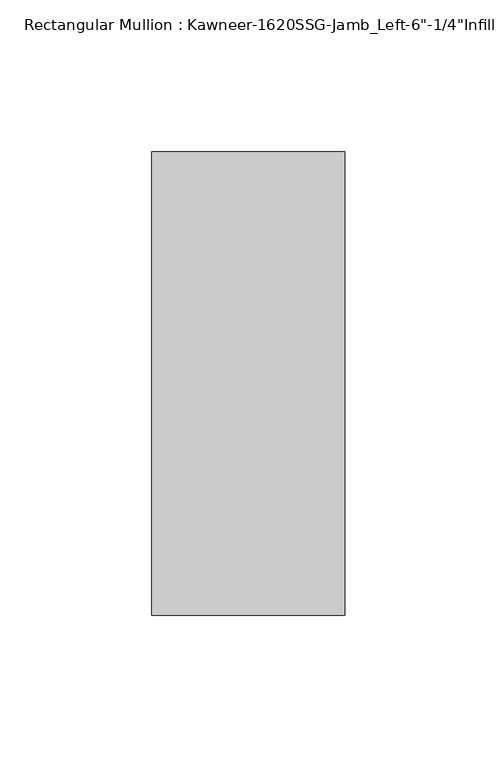
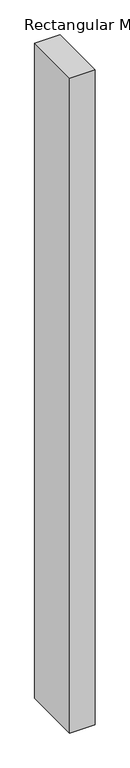
"""IFC4 building model written with IfcOpenShell, lengths in millimetres: member geometry."""

from ifc_helpers import new_model, si_unit, frame, origin, place, context, project, spatial, polyline, outline, extrude, source, transform, mapped, element, save


def member_4077b04f(model_context):
    return source(origin(), model_context, "Body", "SweptSolid", [
        extrude(outline(polyline([(22.225, -28.575), (-41.275, -28.575), (-41.275, 123.825), (22.225, 123.825), (22.225, -28.575)])), frame((0.0, 0.0, -1739.9), z_axis=(0.0, 0.0, 1.0), x_axis=(1.0, 0.0, 0.0)), (0.0, 0.0, 1.0), 1739.9),
    ])


if __name__ == "__main__":
    model = new_model("IFC4")
    model_context = context("Model", 3, world=origin())
    ifc_project = project(units=[si_unit("LENGTHUNIT", "METRE", prefix="MILLI")], contexts=[model_context])
    site = spatial("IfcSite", under=ifc_project)
    building = spatial("IfcBuilding", under=site)
    placement = place(None, origin())
    member_shape = member_4077b04f(model_context)
    element("IfcMember", 1, ObjectType="Rectangular Mullion : Kawneer-1620SSG-Jamb_Left-6\"-1/4\"Infill", at=placement, inside=building, context=model_context, shape_type="MappedRepresentation", body=[
        mapped(member_shape, transform((0.0, 0.0, 0.0), x_axis=(1.0, 0.0, 0.0), y_axis=(0.0, 1.0, 0.0), z_axis=(0.0, 0.0, 1.0))),
    ])
    save(model, "model.ifc")
